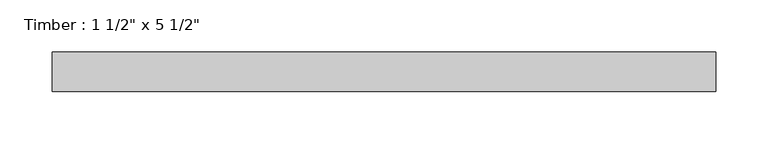
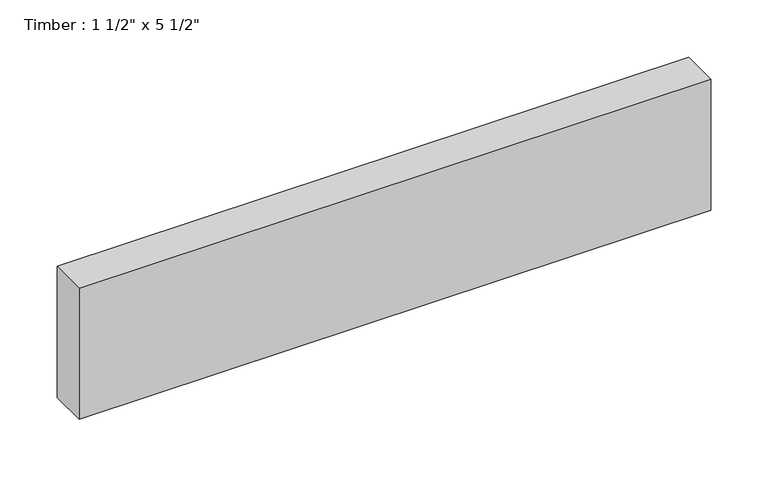
"""IFC4 building model written with IfcOpenShell, lengths in millimetres: beam geometry."""

from ifc_helpers import new_model, si_unit, frame, origin, place, context, project, spatial, polyline, outline, extrude, source, transform, mapped, element, save


def beam_f2c780d6(model_context):
    return source(origin(), model_context, "Body", "SweptSolid", [
        extrude(outline(polyline([(318.081449, 19.05), (318.081449, -19.05), (-318.081449, -19.05), (-318.081449, 19.05), (318.081449, 19.05)])), frame((0.0, 0.0, -69.85), z_axis=(0.0, 0.0, 1.0), x_axis=(1.0, 0.0, 0.0)), (0.0, 0.0, 1.0), 139.7),
    ])


if __name__ == "__main__":
    model = new_model("IFC4")
    model_context = context("Model", 3, world=origin())
    ifc_project = project(units=[si_unit("LENGTHUNIT", "METRE", prefix="MILLI")], contexts=[model_context])
    site = spatial("IfcSite", under=ifc_project)
    building = spatial("IfcBuilding", under=site)
    placement = place(None, origin())
    beam_shape = beam_f2c780d6(model_context)
    element("IfcBeam", 1, ObjectType="Timber : 1 1/2\" x 5 1/2\"", at=placement, inside=building, context=model_context, shape_type="MappedRepresentation", body=[
        mapped(beam_shape, transform((0.0, 0.0, 0.0), x_axis=(1.0, 0.0, 0.0), y_axis=(0.0, 1.0, 0.0), z_axis=(0.0, 0.0, 1.0))),
    ])
    save(model, "model.ifc")
